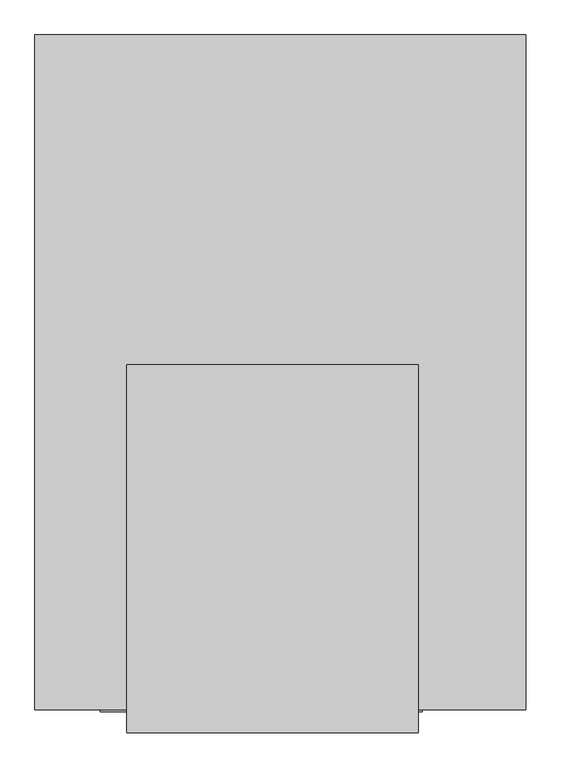
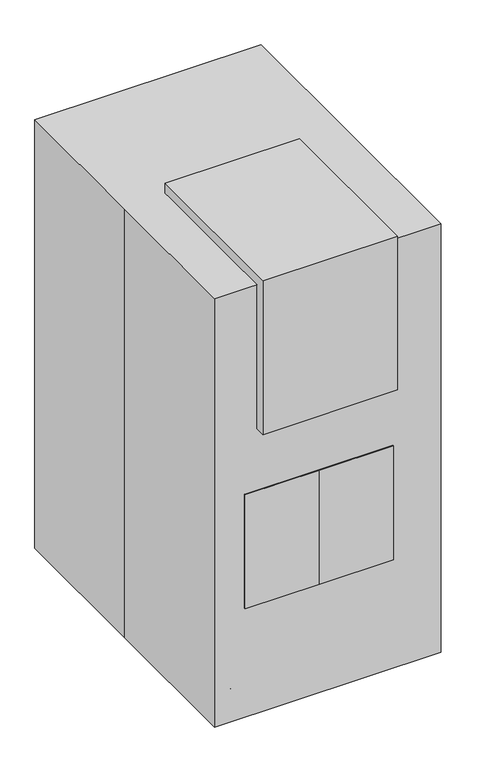
"""IFC4 building model written with IfcOpenShell, lengths in millimetres: proxy geometry."""

from ifc_helpers import new_model, si_unit, point, frame, frame_2d, origin, origin_with_axes, place, context, project, spatial, polyline, circle_curve, trimmed, segment, composite_curve, outline, extrude, faceted_brep, source, transform, mapped, element, save
from ifc_brep_helpers import plane_surface, cylinder_surface, revolved_surface, advanced_brep


def specialty_equipment_e3e66375(model_context):
    return source(origin(), model_context, "Body", "SolidModel", [
        faceted_brep([(222.25, -92.075, 768.5274151), (-208.9546875, -92.075, 768.5274151), (-208.9546875, -307.975, 768.5274151), (222.25, -307.975, 768.5274151), (222.25, -523.875, 412.9274151), (-208.9546875, -523.875, 412.9274151), (-208.9546875, -92.075, 412.9274151), (222.25, -92.075, 412.9274151), (222.25, -307.975, 735.7348675), (222.25, -523.875, 735.7348675), (222.25, -523.875, 590.7274151), (222.25, -307.975, 590.7274151), (222.25, -307.975, 495.1924677), (222.25, -523.875, 533.6276131), (-208.9546875, -523.875, 533.6276131), (163.7431114, -523.875, 735.7348675), (163.7431114, -523.875, 666.9274151), (-161.3296875, -523.875, 666.9274151), (-161.3296875, -523.875, 735.7348675), (-208.9546875, -523.875, 735.7348675), (-208.9546875, -523.875, 666.9274151), (-285.75, -523.875, 666.9274151), (-285.75, -523.875, 590.7274151), (-285.75, -92.075, 666.9274151), (-285.75, -92.075, 590.7274151), (-208.9546875, -92.075, 590.7274151), (-208.9546875, -92.075, 666.9274151), (163.7431114, -307.975, 735.7348675), (-161.3296875, -307.975, 735.7348675), (-208.9546875, -307.975, 735.7348675), (-161.3296875, -307.975, 666.9274151), (163.7431114, -307.975, 666.9274151), (-208.9546875, -307.975, 590.7274151), (-208.9546875, -307.975, 495.1924677)], [[[0, 1, 2, 3]], [[4, 5, 6, 7]], [[7, 0, 3, 8, 9, 10, 11, 12, 13, 4]], [[13, 14, 5, 4]], [[15, 16, 17, 18, 19, 20, 21, 22, 10, 9]], [[23, 24, 22, 21]], [[7, 6, 25, 24, 23, 26, 1, 0]], [[8, 27, 15, 9]], [[28, 29, 19, 18]], [[3, 2, 29, 28, 30, 31, 27, 8]], [[30, 28, 18, 17]], [[30, 17, 16, 31]], [[16, 15, 27, 31]], [[26, 23, 21, 20]], [[20, 19, 29, 2, 1, 26]], [[10, 22, 24, 25, 32, 11]], [[12, 33, 14, 13]], [[11, 32, 33, 12]], [[25, 6, 5, 14, 33, 32]]]),
        extrude(outline(polyline([(234.95, -561.975), (-31.75, -561.975), (-298.45, -561.975), (-298.45, -53.975), (234.95, -53.975), (234.95, -561.975)])), frame((0.0, 0.0, 412.9274151), z_axis=(0.0, 0.0, 1.0), x_axis=(1.0, 0.0, 0.0)), (0.0, 0.0, 1.0), 431.8),
        faceted_brep([(-145.9656905, -533.4, 1511.3), (-95.3343095, -533.4, 1511.3), (-95.3343095, -50.8, 1511.3), (-145.9656905, -50.8, 1511.3), (-145.9656905, -533.4, 1231.9), (-145.9656905, -50.8, 1231.9), (-95.3343095, -50.8, 1231.9), (-95.3343095, -533.4, 1231.9), (-95.3343095, -63.5, 1498.6), (-95.3343095, -63.5, 1244.6), (-95.3343095, -520.7, 1244.6), (-95.3343095, -520.7, 1498.6), (-100.1205119, -520.7, 1498.6), (-100.1205119, -63.5, 1498.6), (-100.1205119, -520.7, 1244.6), (-100.1205119, -63.5, 1244.6)], [[[0, 1, 2, 3]], [[4, 5, 6, 7]], [[3, 5, 4, 0]], [[2, 6, 5, 3]], [[1, 7, 6, 2], [8, 9, 10, 11]], [[0, 4, 7, 1]], [[12, 13, 8, 11]], [[14, 10, 9, 15]], [[12, 14, 15, 13]], [[13, 15, 9, 8]], [[11, 10, 14, 12]]]),
        extrude(outline(polyline([(1092.2, 203.2), (1104.9, 50.8), (1079.5, 50.8), (1079.5, 203.2), (1092.2, 203.2)])), frame((0.0, -533.4, 0.0), z_axis=(0.0, 1.0, 0.0), x_axis=(0.0, 0.0, 1.0)), (0.0, 0.0, 1.0), 482.6),
        faceted_brep([(-12.7, -439.3218395, 1104.9), (-228.6, -439.3218395, 1104.9), (-228.6, -439.3218395, 1079.5), (-12.7, -439.3218395, 1079.5), (-228.6, -144.8781605, 1104.9), (-12.7, -144.8781605, 1104.9), (-12.7, -144.8781605, 1079.5), (-228.6, -144.8781605, 1079.5), (-209.4656905, -329.0685686, 1111.25), (-209.4656905, -255.1314314, 1111.25), (-209.4656905, -255.1314314, 1104.9), (-209.4656905, -329.0685686, 1104.9), (-209.4656905, -329.0685686, 1371.6), (-209.4656905, -255.1314314, 1371.6), (-145.9656905, -329.0685686, 1371.6), (-145.9656905, -255.1314314, 1371.6), (-145.9656905, -329.0685686, 1320.8), (-145.9656905, -255.1314314, 1320.8), (-184.0656905, -329.0685686, 1320.8), (-184.0656905, -255.1314314, 1320.8), (-184.0656905, -329.0685686, 1104.9), (-184.0656905, -255.1314314, 1104.9)], [[[0, 1, 2, 3]], [[4, 5, 6, 7]], [[8, 9, 10, 11]], [[12, 13, 9, 8]], [[14, 15, 13, 12]], [[16, 17, 15, 14]], [[18, 19, 17, 16]], [[20, 21, 19, 18]], [[0, 5, 4, 1], [11, 10, 21, 20]], [[3, 6, 5, 0]], [[2, 7, 6, 3]], [[1, 4, 7, 2]], [[20, 18, 16, 14, 12, 8, 11]], [[10, 9, 13, 15, 17, 19, 21]]]),
        extrude(outline(polyline([(-254.0, -596.9), (-254.0, 12.7), (228.6, 12.7), (228.6, -596.9), (-254.0, -596.9)])), frame((0.0, 0.0, 1079.5), z_axis=(0.0, 0.0, 1.0), x_axis=(1.0, 0.0, 0.0)), (0.0, 0.0, 1.0), 584.2),
        advanced_brep(
        [(-123.8052853, 381.2810593, 1016.0), (-123.8052853, 381.2810593, 1035.05), (-119.1380154, 381.2810593, 1035.05), (-119.1380154, 381.2810593, 1016.0), (-119.1380154, 235.2310593, 1035.05), (-119.1380154, 235.2310593, 1016.0), (-123.8052853, 235.359733, 1016.0), (-123.8052853, 235.359733, 1035.05), (-76.2, 143.1501881, 1035.05), (-76.2, 143.1501881, 1016.0), (-77.7346619, 138.4829182, 1016.0), (-77.7346619, 138.4829182, 1035.05), (76.2, 143.1501881, 1035.05), (76.2, 143.1501881, 1016.0), (77.7346619, 138.4829182, 1016.0), (77.7346619, 138.4829182, 1035.05), (119.1380154, 235.2310593, 1016.0), (119.1380154, 381.2810593, 1016.0), (123.8052853, 381.2810593, 1016.0), (123.8017777, 235.3596373, 1016.0), (119.1380154, 235.2310593, 1035.05), (123.8017777, 235.3596373, 1035.05), (123.8052853, 381.2810593, 1035.05), (119.1380154, 381.2810593, 1035.05)],
        [
            (0, 1),
            (1, 2),
            (2, 3),
            (3, 0),
            (2, 4),
            (4, 5),
            (5, 3),
            (0, 6),
            (6, 7),
            (7, 1),
            (8, 9),
            (9, 5, circle_curve(frame((-11.7763715, 229.2430177, 1016.0), z_axis=(0.0, 0.0, -1.0), x_axis=(-0.9984482223268785, 0.05568794602332088, 0.0)), 107.5285042)),
            (4, 8, circle_curve(frame((-11.7763715, 229.2430177, 1035.05), z_axis=(0.0, 0.0, 1.0), x_axis=(-0.9984482223268785, 0.05568794602332088, 0.0)), 107.5285042)),
            (10, 11),
            (11, 7, circle_curve(frame((-11.7763715, 229.2430177, 1035.05), z_axis=(0.0, 0.0, -1.0), x_axis=(-0.9984482223268785, 0.05568794602332088, 0.0)), 112.1957741)),
            (6, 10, circle_curve(frame((-11.7763715, 229.2430177, 1016.0), z_axis=(0.0, 0.0, 1.0), x_axis=(-0.9984482223268785, 0.05568794602332088, 0.0)), 112.1957741)),
            (8, 12),
            (12, 13),
            (13, 9),
            (10, 14),
            (14, 15),
            (15, 11),
            (16, 17),
            (17, 18),
            (18, 19),
            (19, 14, circle_curve(frame((11.7763715, 229.2430177, 1016.0), z_axis=(0.0, 0.0, -1.0), x_axis=(0.5991307046253914, -0.8006512341682126, 0.0)), 112.1957741)),
            (13, 16, circle_curve(frame((11.7763715, 229.2430177, 1016.0), z_axis=(0.0, 0.0, 1.0), x_axis=(0.5991307046253914, -0.8006512341682126, 0.0)), 107.5285042)),
            (20, 16),
            (12, 20, circle_curve(frame((11.7763715, 229.2430177, 1035.05), z_axis=(0.0, 0.0, 1.0), x_axis=(0.5991307046253914, -0.8006512341682126, 0.0)), 107.5285042)),
            (21, 22),
            (22, 23),
            (23, 20),
            (15, 21, circle_curve(frame((11.7763715, 229.2430177, 1035.05), z_axis=(0.0, 0.0, 1.0), x_axis=(0.5991307046253914, -0.8006512341682126, 0.0)), 112.1957741)),
            (19, 21),
            (17, 23),
            (22, 18),
        ],
        [
            plane_surface(frame((-119.1380154, 381.2810593, 1016.0), z_axis=(0.0, 1.0, 0.0), x_axis=(0.0, 0.0, 1.0))),
            plane_surface(frame((-119.1380154, 381.2810593, 1016.0), z_axis=(1.0, 0.0, 0.0), x_axis=(0.0, -1.0, 0.0))),
            plane_surface(frame((-123.8052853, 381.2810593, 1035.05), z_axis=(-1.0, 0.0, 0.0), x_axis=(0.0, -1.0, 0.0))),
            revolved_surface(polyline([(-119.13801536795827, 235.23105923785803, 1016.0), (-119.13801536795827, 235.23105923785803, 1035.05)]), (-11.7763715, 229.2430177, 1016.0), (0.0, 0.0, -1.0)),
            cylinder_surface(frame((-11.7763715, 229.2430177, 1016.0), z_axis=(0.0, 0.0, -1.0), x_axis=(-0.9984482223268785, 0.05568794602332088, 0.0)), 112.1957741),
            plane_surface(frame((-76.2, 143.1501881, 1016.0), z_axis=(0.0, 1.0, 0.0), x_axis=(1.0, 0.0, 0.0))),
            plane_surface(frame((-77.7346619, 138.4829182, 1035.05), z_axis=(0.0, -1.0, 0.0), x_axis=(1.0, 0.0, 0.0))),
            plane_surface(frame((11.7763715, 229.2430177, 1016.0), z_axis=(0.0, 0.0, -1.0), x_axis=(0.5991307046253914, -0.8006512341682126, 0.0))),
            revolved_surface(polyline([(76.19999998866035, 143.15018810400818, 1016.0), (76.19999998866035, 143.15018810400818, 1035.05)]), (11.7763715, 229.2430177, 1016.0), (0.0, 0.0, -1.0)),
            plane_surface(frame((11.7763715, 229.2430177, 1035.05), z_axis=(0.0, 0.0, 1.0), x_axis=(0.5991307046253914, -0.8006512341682126, 0.0))),
            cylinder_surface(frame((11.7763715, 229.2430177, 1016.0), z_axis=(0.0, 0.0, -1.0), x_axis=(0.5991307046253914, -0.8006512341682126, 0.0)), 112.1957741),
            plane_surface(frame((119.1380154, 381.2810593, 1016.0), z_axis=(0.0, 1.0, 0.0), x_axis=(0.0, 0.0, 1.0))),
            plane_surface(frame((119.1380154, 235.2310593, 1016.0), z_axis=(-1.0, 0.0, 0.0), x_axis=(0.0, 1.0, 0.0))),
            plane_surface(frame((123.8017777, 235.3596373, 1035.05), z_axis=(0.9999999997110991, -2.4037508473889445e-05, 0.0), x_axis=(2.4037508473889445e-05, 0.9999999997110991, 0.0))),
        ],
        [
            (0, [[1, 2, 3, 4]]),
            (1, [[5, 6, 7, -3]]),
            (2, [[8, 9, 10, -1]]),
            (3, [[11, 12, -6, 13]]),
            (4, [[14, 15, -9, 16]]),
            (5, [[17, 18, 19, -11]]),
            (6, [[20, 21, 22, -14]]),
            (7, [[23, 24, 25, 26, -20, -16, -8, -4, -7, -12, -19, 27]]),
            (8, [[28, -27, -18, 29]]),
            (9, [[30, 31, 32, -29, -17, -13, -5, -2, -10, -15, -22, 33]]),
            (10, [[34, -33, -21, -26]]),
            (11, [[-24, 35, -31, 36]]),
            (12, [[-32, -35, -23, -28]]),
            (13, [[-25, -36, -30, -34]]),
        ],
    ),
        extrude(outline(polyline([(0.0, 271.5253368), (238.2760308, 271.5253368), (238.2760308, 0.0), (0.0, 0.0), (0.0, 271.5253368)])), frame((119.1380154, 525.6105842, 1054.6277039), z_axis=(0.0, -0.3583679495452942, 0.9335804264972041), x_axis=(-1.0, 0.0, 0.0)), (0.0, 0.0, 1.0), 50.8),
        extrude(outline(polyline([(50.8, 36.8829182), (-50.8, 36.8829182), (-50.8, 138.4829182), (50.8, 138.4829182), (50.8, 36.8829182)])), frame((0.0, 0.0, 1004.2876576), z_axis=(0.0, 0.0, 1.0), x_axis=(1.0, 0.0, 0.0)), (0.0, 0.0, 1.0), 50.8),
        extrude(outline(polyline([(203.2, -547.3170818), (-209.55, -547.3170818), (-209.55, -39.3170818), (203.2, -39.3170818), (203.2, -547.3170818)])), frame((0.0, 0.0, 374.65), z_axis=(0.0, 0.0, 1.0), x_axis=(1.0, 0.0, 0.0)), (0.0, 0.0, 1.0), 38.1),
        extrude(outline(polyline([(-39.3170818, 1041.4), (-39.3170818, 812.8), (-191.7170818, 812.8), (-521.9170818, 1016.0), (-521.9170818, 1041.4), (-39.3170818, 1041.4)])), frame((190.5, 0.0, 0.0), z_axis=(1.0, 0.0, 0.0), x_axis=(0.0, 1.0, 0.0)), (0.0, 0.0, 1.0), 38.1),
        extrude(outline(polyline([(-39.3170818, 1041.4), (-39.3170818, 812.8), (-191.7170818, 812.8), (-521.9170818, 1016.0), (-521.9170818, 1041.4), (-39.3170818, 1041.4)])), frame((-228.6, 0.0, 0.0), z_axis=(1.0, 0.0, 0.0), x_axis=(0.0, 1.0, 0.0)), (0.0, 0.0, 1.0), 38.1),
        extrude(outline(polyline([(247.65, -547.3170818), (-253.5329849, -547.3170818), (-253.5329849, -39.3170818), (247.65, -39.3170818), (247.65, -547.3170818)])), frame((0.0, 0.0, 1041.4), z_axis=(0.0, 0.0, 1.0), x_axis=(1.0, 0.0, 0.0)), (0.0, 0.0, 1.0), 38.1),
        extrude(outline(polyline([(-209.55, -39.3170818), (-209.55, -83.7670818), (-304.8, -83.7670818), (-304.8, 83.7670818), (-209.55, 83.7670818), (-209.55, 36.8829182), (-254.0, 36.8829182), (-254.0, -1.2170818), (-254.0, -39.3170818), (-209.55, -39.3170818)])), frame((0.0, 0.0, 266.7), z_axis=(0.0, 0.0, 1.0), x_axis=(1.0, 0.0, 0.0)), (0.0, 0.0, 1.0), 342.9),
        extrude(outline(polyline([(203.2, -39.3170818), (247.65, -39.3170818), (247.65, -1.2170818), (247.65, 36.8829182), (203.2, 36.8829182), (203.2, 83.7670818), (298.45, 83.7670818), (298.45, -83.7670818), (203.2, -83.7670818), (203.2, -39.3170818)])), frame((0.0, 0.0, 266.7), z_axis=(0.0, 0.0, 1.0), x_axis=(1.0, 0.0, 0.0)), (0.0, 0.0, 1.0), 342.9),
        extrude(outline(polyline([(247.65, -39.3170818), (-253.5329849, -39.3170818), (-253.5329849, 36.8829182), (247.65, 36.8829182), (247.65, -39.3170818)])), frame((0.0, 0.0, 266.7), z_axis=(0.0, 0.0, 1.0), x_axis=(1.0, 0.0, 0.0)), (0.0, 0.0, 1.0), 1248.8024583),
        extrude(outline(polyline([(349.25, -121.8929078), (-355.1329849, -121.8929078), (-355.1329849, 133.5826903), (349.25, 133.5826903), (349.25, -121.8929078)])), frame((0.0, 0.0, 165.1), z_axis=(0.0, 0.0, 1.0), x_axis=(1.0, 0.0, 0.0)), (0.0, 0.0, 1.0), 101.6),
        extrude(outline(composite_curve([segment(trimmed(circle_curve(frame_2d((-306.4724956, 409.1524744)), 16.9333333), [point((-323.405829, 409.1524744))], [point((-289.5391623, 409.1524744))], False, "CARTESIAN"), True, "CONTINUOUS"), segment(trimmed(circle_curve(frame_2d((-306.4724956, 409.1524744)), 16.9333333), [point((-289.5391623, 409.1524744))], [point((-323.405829, 409.1524744))], False, "CARTESIAN"), True, "CONTINUOUS")], self_intersect=False)), frame((0.0, 0.0, 84.8149176), z_axis=(0.0, 0.0, 1.0), x_axis=(1.0, 0.0, 0.0)), (0.0, 0.0, 1.0), 42.1850824),
        extrude(outline(composite_curve([segment(trimmed(circle_curve(frame_2d((297.8141923, 409.1524744)), 16.9333333), [point((314.7475256, 409.1524744))], [point((280.880859, 409.1524744))], False, "CARTESIAN"), True, "CONTINUOUS"), segment(trimmed(circle_curve(frame_2d((297.8141923, 409.1524744)), 16.9333333), [point((280.880859, 409.1524744))], [point((314.7475256, 409.1524744))], False, "CARTESIAN"), True, "CONTINUOUS")], self_intersect=False)), frame((0.0, 0.0, 84.8149176), z_axis=(0.0, 0.0, 1.0), x_axis=(1.0, 0.0, 0.0)), (0.0, 0.0, 1.0), 42.1850824),
        extrude(outline(composite_curve([segment(trimmed(circle_curve(frame_2d((392.219141, 50.8)), 50.8), [point((443.019141, 50.8))], [point((341.419141, 50.8))], False, "CARTESIAN"), True, "CONTINUOUS"), segment(trimmed(circle_curve(frame_2d((392.219141, 50.8)), 50.8), [point((341.419141, 50.8))], [point((443.019141, 50.8))], False, "CARTESIAN"), True, "CONTINUOUS")], self_intersect=False)), frame((261.830859, 0.0, 0.0), z_axis=(1.0, 0.0, 0.0), x_axis=(0.0, 1.0, 0.0)), (0.0, 0.0, 1.0), 19.05),
        extrude(outline(composite_curve([segment(trimmed(circle_curve(frame_2d((392.219141, 50.8)), 50.8), [point((443.019141, 50.8))], [point((341.419141, 50.8))], False, "CARTESIAN"), True, "CONTINUOUS"), segment(trimmed(circle_curve(frame_2d((392.219141, 50.8)), 50.8), [point((341.419141, 50.8))], [point((443.019141, 50.8))], False, "CARTESIAN"), True, "CONTINUOUS")], self_intersect=False)), frame((318.980859, 0.0, 0.0), z_axis=(1.0, 0.0, 0.0), x_axis=(0.0, 1.0, 0.0)), (0.0, 0.0, 1.0), 19.05),
        extrude(outline(composite_curve([segment(trimmed(circle_curve(frame_2d((392.219141, 50.8)), 33.8666667), [point((358.3524744, 50.8))], [point((426.0858077, 50.8))], False, "CARTESIAN"), True, "CONTINUOUS"), segment(trimmed(circle_curve(frame_2d((392.219141, 50.8)), 33.8666667), [point((426.0858077, 50.8))], [point((358.3524744, 50.8))], False, "CARTESIAN"), True, "CONTINUOUS")], self_intersect=False)), frame((280.880859, 0.0, 0.0), z_axis=(1.0, 0.0, 0.0), x_axis=(0.0, 1.0, 0.0)), (0.0, 0.0, 1.0), 38.1),
        extrude(outline(composite_curve([segment(trimmed(circle_curve(frame_2d((392.219141, 50.8)), 50.8), [point((443.019141, 50.8))], [point((341.419141, 50.8))], False, "CARTESIAN"), True, "CONTINUOUS"), segment(trimmed(circle_curve(frame_2d((392.219141, 50.8)), 50.8), [point((341.419141, 50.8))], [point((443.019141, 50.8))], False, "CARTESIAN"), True, "CONTINUOUS")], self_intersect=False)), frame((-287.230859, 0.0, 0.0), z_axis=(1.0, 0.0, 0.0), x_axis=(0.0, 1.0, 0.0)), (0.0, 0.0, 1.0), 19.05),
        extrude(outline(composite_curve([segment(trimmed(circle_curve(frame_2d((392.219141, 50.8)), 50.8), [point((443.019141, 50.8))], [point((341.419141, 50.8))], False, "CARTESIAN"), True, "CONTINUOUS"), segment(trimmed(circle_curve(frame_2d((392.219141, 50.8)), 50.8), [point((341.419141, 50.8))], [point((443.019141, 50.8))], False, "CARTESIAN"), True, "CONTINUOUS")], self_intersect=False)), frame((-344.380859, 0.0, 0.0), z_axis=(1.0, 0.0, 0.0), x_axis=(0.0, 1.0, 0.0)), (0.0, 0.0, 1.0), 19.05),
        extrude(outline(composite_curve([segment(trimmed(circle_curve(frame_2d((392.219141, 50.8)), 33.8666667), [point((358.3524744, 50.8))], [point((426.0858077, 50.8))], False, "CARTESIAN"), True, "CONTINUOUS"), segment(trimmed(circle_curve(frame_2d((392.219141, 50.8)), 33.8666667), [point((426.0858077, 50.8))], [point((358.3524744, 50.8))], False, "CARTESIAN"), True, "CONTINUOUS")], self_intersect=False)), frame((-325.330859, 0.0, 0.0), z_axis=(1.0, 0.0, 0.0), x_axis=(0.0, 1.0, 0.0)), (0.0, 0.0, 1.0), 38.1),
        extrude(outline(polyline([(-253.5329849, -438.15), (-355.1329849, -438.15), (-355.1329849, 457.2), (-253.5329849, 457.2), (-253.5329849, -438.15)])), frame((0.0, 0.0, 127.0), z_axis=(0.0, 0.0, 1.0), x_axis=(1.0, 0.0, 0.0)), (0.0, 0.0, 1.0), 38.1),
        extrude(outline(polyline([(349.25, -438.15), (247.65, -438.15), (247.65, 457.2), (349.25, 457.2), (349.25, -438.15)])), frame((0.0, 0.0, 127.0), z_axis=(0.0, 0.0, 1.0), x_axis=(1.0, 0.0, 0.0)), (0.0, 0.0, 1.0), 38.1),
        extrude(outline(composite_curve([segment(trimmed(circle_curve(frame_2d((-306.4724956, -371.8975256)), 16.9333333), [point((-323.405829, -371.8975256))], [point((-289.5391623, -371.8975256))], False, "CARTESIAN"), True, "CONTINUOUS"), segment(trimmed(circle_curve(frame_2d((-306.4724956, -371.8975256)), 16.9333333), [point((-289.5391623, -371.8975256))], [point((-323.405829, -371.8975256))], False, "CARTESIAN"), True, "CONTINUOUS")], self_intersect=False)), frame((0.0, 0.0, 84.8149176), z_axis=(0.0, 0.0, 1.0), x_axis=(1.0, 0.0, 0.0)), (0.0, 0.0, 1.0), 42.1850824),
        extrude(outline(composite_curve([segment(trimmed(circle_curve(frame_2d((297.8141923, -371.8975256)), 16.9333333), [point((314.7475256, -371.8975256))], [point((280.880859, -371.8975256))], False, "CARTESIAN"), True, "CONTINUOUS"), segment(trimmed(circle_curve(frame_2d((297.8141923, -371.8975256)), 16.9333333), [point((280.880859, -371.8975256))], [point((314.7475256, -371.8975256))], False, "CARTESIAN"), True, "CONTINUOUS")], self_intersect=False)), frame((0.0, 0.0, 84.8149176), z_axis=(0.0, 0.0, 1.0), x_axis=(1.0, 0.0, 0.0)), (0.0, 0.0, 1.0), 42.1850824),
        extrude(outline(composite_curve([segment(trimmed(circle_curve(frame_2d((-388.830859, 50.8)), 50.8), [point((-338.030859, 50.8))], [point((-439.630859, 50.8))], False, "CARTESIAN"), True, "CONTINUOUS"), segment(trimmed(circle_curve(frame_2d((-388.830859, 50.8)), 50.8), [point((-439.630859, 50.8))], [point((-338.030859, 50.8))], False, "CARTESIAN"), True, "CONTINUOUS")], self_intersect=False)), frame((261.830859, 0.0, 0.0), z_axis=(1.0, 0.0, 0.0), x_axis=(0.0, 1.0, 0.0)), (0.0, 0.0, 1.0), 19.05),
        extrude(outline(composite_curve([segment(trimmed(circle_curve(frame_2d((-388.830859, 50.8)), 50.8), [point((-338.030859, 50.8))], [point((-439.630859, 50.8))], False, "CARTESIAN"), True, "CONTINUOUS"), segment(trimmed(circle_curve(frame_2d((-388.830859, 50.8)), 50.8), [point((-439.630859, 50.8))], [point((-338.030859, 50.8))], False, "CARTESIAN"), True, "CONTINUOUS")], self_intersect=False)), frame((318.980859, 0.0, 0.0), z_axis=(1.0, 0.0, 0.0), x_axis=(0.0, 1.0, 0.0)), (0.0, 0.0, 1.0), 19.05),
        extrude(outline(composite_curve([segment(trimmed(circle_curve(frame_2d((-388.830859, 50.8)), 33.8666667), [point((-422.6975256, 50.8))], [point((-354.9641923, 50.8))], False, "CARTESIAN"), True, "CONTINUOUS"), segment(trimmed(circle_curve(frame_2d((-388.830859, 50.8)), 33.8666667), [point((-354.9641923, 50.8))], [point((-422.6975256, 50.8))], False, "CARTESIAN"), True, "CONTINUOUS")], self_intersect=False)), frame((280.880859, 0.0, 0.0), z_axis=(1.0, 0.0, 0.0), x_axis=(0.0, 1.0, 0.0)), (0.0, 0.0, 1.0), 38.1),
        extrude(outline(composite_curve([segment(trimmed(circle_curve(frame_2d((-388.830859, 50.8)), 50.8), [point((-338.030859, 50.8))], [point((-439.630859, 50.8))], False, "CARTESIAN"), True, "CONTINUOUS"), segment(trimmed(circle_curve(frame_2d((-388.830859, 50.8)), 50.8), [point((-439.630859, 50.8))], [point((-338.030859, 50.8))], False, "CARTESIAN"), True, "CONTINUOUS")], self_intersect=False)), frame((-287.230859, 0.0, 0.0), z_axis=(1.0, 0.0, 0.0), x_axis=(0.0, 1.0, 0.0)), (0.0, 0.0, 1.0), 19.05),
        extrude(outline(composite_curve([segment(trimmed(circle_curve(frame_2d((-388.830859, 50.8)), 50.8), [point((-338.030859, 50.8))], [point((-439.630859, 50.8))], False, "CARTESIAN"), True, "CONTINUOUS"), segment(trimmed(circle_curve(frame_2d((-388.830859, 50.8)), 50.8), [point((-439.630859, 50.8))], [point((-338.030859, 50.8))], False, "CARTESIAN"), True, "CONTINUOUS")], self_intersect=False)), frame((-344.380859, 0.0, 0.0), z_axis=(1.0, 0.0, 0.0), x_axis=(0.0, 1.0, 0.0)), (0.0, 0.0, 1.0), 19.05),
        extrude(outline(composite_curve([segment(trimmed(circle_curve(frame_2d((-388.830859, 50.8)), 33.8666667), [point((-422.6975256, 50.8))], [point((-354.9641923, 50.8))], False, "CARTESIAN"), True, "CONTINUOUS"), segment(trimmed(circle_curve(frame_2d((-388.830859, 50.8)), 33.8666667), [point((-354.9641923, 50.8))], [point((-422.6975256, 50.8))], False, "CARTESIAN"), True, "CONTINUOUS")], self_intersect=False)), frame((-325.330859, 0.0, 0.0), z_axis=(1.0, 0.0, 0.0), x_axis=(0.0, 1.0, 0.0)), (0.0, 0.0, 1.0), 38.1),
        extrude(outline(polyline([(-406.4, -558.8), (-406.4, 0.0), (-406.4, 558.8), (406.4, 558.8), (406.4, -558.8), (-406.4, -558.8)])), origin_with_axes(), (0.0, 0.0, 1.0), 1625.6),
    ])


if __name__ == "__main__":
    model = new_model("IFC4")
    model_context = context("Model", 3, world=origin())
    ifc_project = project(units=[si_unit("LENGTHUNIT", "METRE", prefix="MILLI")], contexts=[model_context])
    site = spatial("IfcSite", under=ifc_project)
    building = spatial("IfcBuilding", under=site)
    placement = place(None, origin())
    specialty_equipment_shape = specialty_equipment_e3e66375(model_context)
    element("IfcBuildingElementProxy", 1, Name="Specialty Equipment", at=placement, inside=building, context=model_context, shape_type="MappedRepresentation", body=[
        mapped(specialty_equipment_shape, transform((0.0, 0.0, 0.0), x_axis=(1.0, 0.0, 0.0), y_axis=(0.0, 1.0, 0.0), z_axis=(0.0, 0.0, 1.0))),
    ])
    save(model, "model.ifc")
